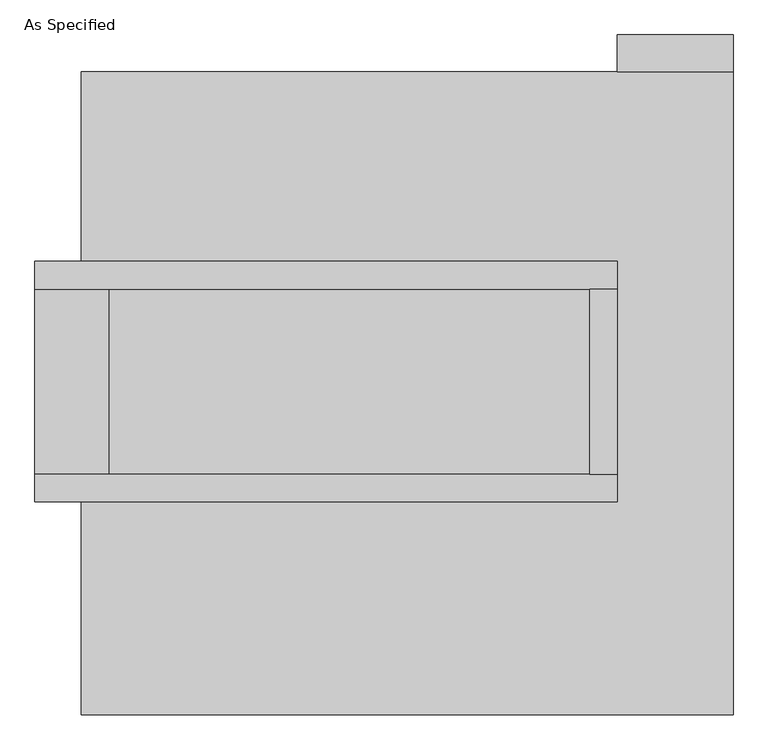
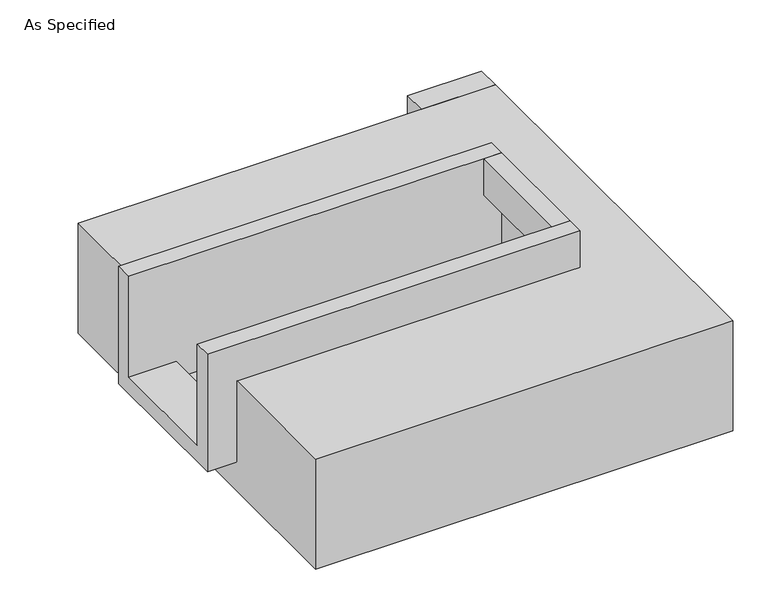
"""IFC4 building model written with IfcOpenShell, lengths in millimetres: proxy geometry, As Specified."""

from ifc_helpers import new_model, si_unit, frame, origin, place, context, project, spatial, polyline, outline, extrude, faceted_brep, source, transform, mapped, element, save


def as_specified_e78aba45(model_context):
    return source(origin(), model_context, "Body", "SolidModel", [
        extrude(outline(polyline([(971.55, 882.65), (654.05, 882.65), (654.05, 984.25), (971.55, 984.25), (971.55, 882.65)])), frame((0.0, 0.0, -523.9742188), z_axis=(0.0, 0.0, 1.0), x_axis=(1.0, 0.0, 0.0)), (0.0, 0.0, 1.0), 498.5742188),
        extrude(outline(polyline([(577.85, 285.75), (654.05, 285.75), (654.05, -222.25), (577.85, -222.25), (577.85, 285.75)])), frame((0.0, 0.0, -25.4), z_axis=(0.0, 0.0, 1.0), x_axis=(1.0, 0.0, 0.0)), (0.0, 0.0, 1.0), 165.1),
        faceted_brep([(654.05, 285.75, 139.7), (654.05, 285.75, -317.5), (654.05, -222.25, -317.5), (654.05, -222.25, 139.7), (654.05, -298.45, 139.7), (654.05, -298.45, -393.7), (654.05, 361.95, -393.7), (654.05, 361.95, 139.7), (-946.15, 285.75, 139.7), (-946.15, 361.95, 139.7), (-946.15, 361.95, -393.7), (-946.15, -298.45, -393.7), (-946.15, -298.45, 139.7), (-946.15, -222.25, 139.7), (-946.15, -222.25, -317.5), (-946.15, 285.75, -317.5), (-742.95, 285.75, -393.7), (-742.95, -222.25, -393.7), (577.85, -222.25, -393.7), (577.85, 285.75, -393.7), (577.85, -222.25, -317.5), (-742.95, -222.25, -317.5), (577.85, 285.75, -317.5), (-742.95, 285.75, -317.5)], [[[0, 1, 2, 3, 4, 5, 6, 7]], [[8, 9, 10, 11, 12, 13, 14, 15]], [[0, 7, 9, 8]], [[7, 6, 10, 9]], [[6, 5, 11, 10], [16, 17, 18, 19]], [[4, 3, 13, 12]], [[3, 2, 20, 18, 17, 21, 14, 13]], [[2, 1, 22, 20]], [[15, 14, 21, 23]], [[1, 0, 8, 15, 23, 16, 19, 22]], [[21, 17, 16, 23]], [[18, 20, 22, 19]], [[5, 4, 12, 11]]]),
        faceted_brep([(971.55, 882.65, -523.9742188), (971.55, -882.65, -523.9742188), (-819.15, -882.65, -523.9742188), (-819.15, 882.65, -523.9742188), (-819.15, 882.65, -25.4), (-819.15, 361.95, -25.4), (654.05, 361.95, -25.4), (654.05, -298.45, -25.4), (-819.15, -298.45, -25.4), (-819.15, -882.65, -25.4), (971.55, -882.65, -25.4), (971.55, 882.65, -25.4), (-819.15, -298.45, -393.7), (-819.15, 361.95, -393.7), (654.05, 361.95, -393.7), (654.05, -298.45, -393.7)], [[[0, 1, 2, 3]], [[4, 5, 6, 7, 8, 9, 10, 11]], [[0, 3, 4, 11]], [[4, 3, 2, 9, 8, 12, 13, 5]], [[2, 1, 10, 9]], [[14, 15, 7, 6]], [[13, 14, 6, 5]], [[15, 14, 13, 12]], [[15, 12, 8, 7]], [[1, 0, 11, 10]]]),
    ])


if __name__ == "__main__":
    model = new_model("IFC4")
    model_context = context("Model", 3, world=origin())
    ifc_project = project(units=[si_unit("LENGTHUNIT", "METRE", prefix="MILLI")], contexts=[model_context])
    site = spatial("IfcSite", under=ifc_project)
    building = spatial("IfcBuilding", under=site)
    placement = place(None, origin())
    as_specified_shape = as_specified_e78aba45(model_context)
    element("IfcBuildingElementProxy", 1, Name="As Specified", ObjectType="As Specified", at=placement, inside=building, context=model_context, shape_type="MappedRepresentation", body=[
        mapped(as_specified_shape, transform((0.0, 0.0, 0.0), x_axis=(1.0, 0.0, 0.0), y_axis=(0.0, 1.0, 0.0), z_axis=(0.0, 0.0, 1.0))),
    ])
    save(model, "model.ifc")
